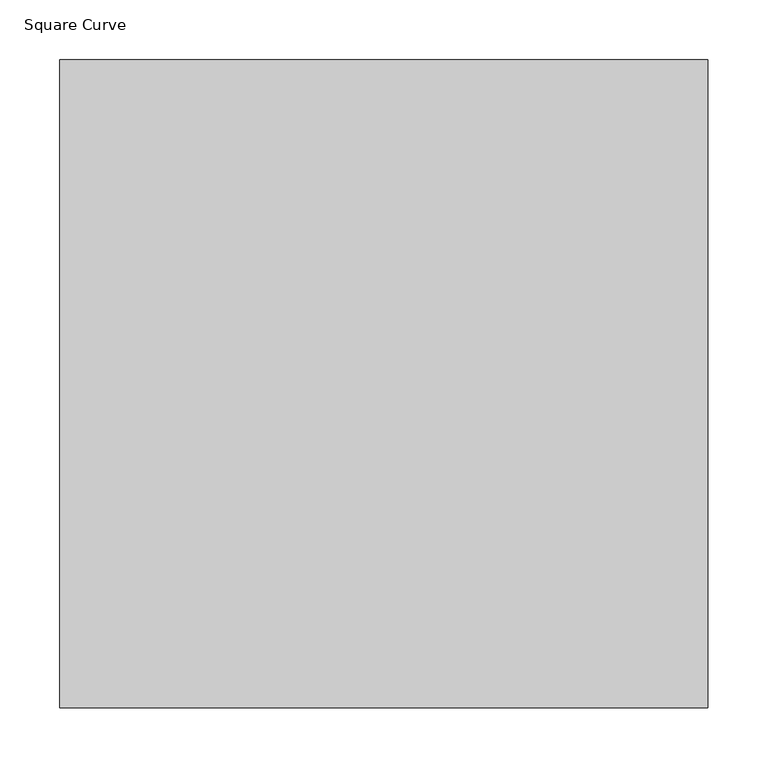
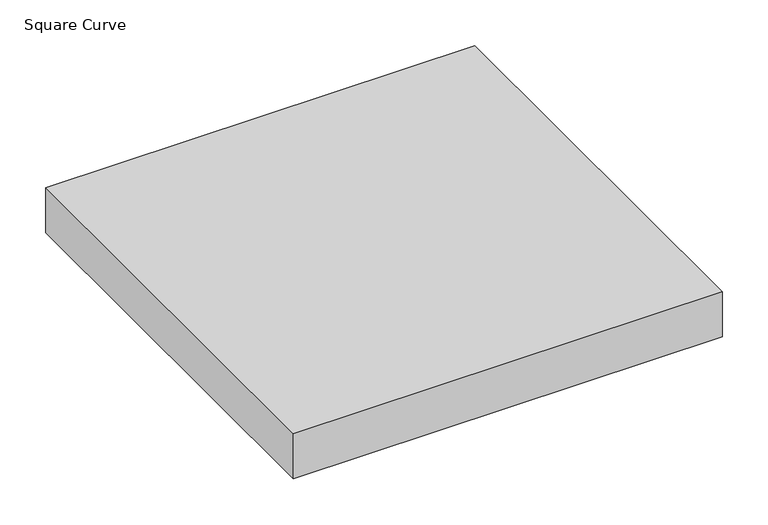
"""IFC4 building model written with IfcOpenShell, lengths in millimetres: furniture geometry, Square Curve."""

import ifcopenshell
import ifcopenshell.guid

model = None  # the IFC model being written
_history = None  # IfcOwnerHistory: only IFC2X3 demands one
_inside = {}  # id of a spatial element -> (the spatial element, [elements in it])
_under = {}  # id of a project, library or spatial element -> (it, [spatial elements below it])
_declared = {}  # id of a project -> (the project, [libraries it declares])
_typed = {}  # id of a type object -> (the type object, [elements of that type])
_made_of = {}  # id of a material, layer set ... -> (it, [elements and type objects made of it])


def new_model(schema):
    """Start an empty IFC model of exactly this schema.

    Asked for "IFC4X3", IfcOpenShell would pick the latest addendum, in which some entities
    have other attributes; the version numbers below select the first issue.
    IFC2X3 requires an IfcOwnerHistory on every rooted entity: one is made here for all.
    """
    global model, _history
    if schema == "IFC4X3":
        model = ifcopenshell.file(schema_version=(4, 3, 0, 0))
    else:
        model = ifcopenshell.file(schema=schema)
    _inside.clear()
    _under.clear()
    _declared.clear()
    _typed.clear()
    _made_of.clear()
    _history = None
    if model.schema == "IFC2X3":
        org = make("IfcOrganization", Name="unknown")
        user = make(
            "IfcPersonAndOrganization",
            ThePerson=make("IfcPerson", FamilyName="unknown"),
            TheOrganization=org,
        )
        app = make(
            "IfcApplication",
            ApplicationDeveloper=org,
            Version="unknown",
            ApplicationFullName="unknown",
            ApplicationIdentifier="unknown",
        )
        _history = make(
            "IfcOwnerHistory",
            OwningUser=user,
            OwningApplication=app,
            ChangeAction="ADDED",
            CreationDate=0,
        )
    return model


def make(cls, **values):
    """One entity of the class cls with the attributes given. An attribute that is None is left unset."""
    return model.create_entity(
        cls, **{name: value for name, value in values.items() if value is not None}
    )


def rooted(cls, **values):
    """An entity with a GlobalId (a new one), such as an element, a storey or a relation."""
    return make(cls, GlobalId=ifcopenshell.guid.new(), OwnerHistory=_history, **values)


def si_unit(unit_type, name, prefix=None):
    """IfcSIUnit, for example si_unit("LENGTHUNIT", "METRE", prefix="MILLI")."""
    return make("IfcSIUnit", UnitType=unit_type, Prefix=prefix, Name=name)


def assignment(units):
    """IfcUnitAssignment: the units of a project."""
    return None if units is None else make("IfcUnitAssignment", Units=units)


def point(xyz):
    """IfcCartesianPoint."""
    return None if xyz is None else make("IfcCartesianPoint", Coordinates=xyz)


def direction(xyz):
    """IfcDirection."""
    return None if xyz is None else make("IfcDirection", DirectionRatios=xyz)


def frame(location, z_axis=None, x_axis=None):
    """IfcAxis2Placement3D, a coordinate frame: its origin and axes. An axis left out is left unset."""
    return make(
        "IfcAxis2Placement3D",
        Location=point(location),
        Axis=direction(z_axis),
        RefDirection=direction(x_axis),
    )


def origin():
    """The frame at (0, 0, 0) with its axes left unset."""
    return frame((0.0, 0.0, 0.0))


def place(relative_to, where):
    """IfcLocalPlacement: puts the frame where relative to a parent placement (None: the world)."""
    return make(
        "IfcLocalPlacement", PlacementRelTo=relative_to, RelativePlacement=where
    )


def context(
    kind, dimensions, precision=None, world=None, true_north=None, identifier=None
):
    """IfcGeometricRepresentationContext, for example the 3D "Model" context."""
    return make(
        "IfcGeometricRepresentationContext",
        ContextIdentifier=identifier,
        ContextType=kind,
        CoordinateSpaceDimension=dimensions,
        Precision=precision,
        WorldCoordinateSystem=world,
        TrueNorth=true_north,
    )


def project(units=None, contexts=None):
    """IfcProject with its units and contexts."""
    return rooted(
        "IfcProject",
        Name="project",
        RepresentationContexts=contexts,
        UnitsInContext=assignment(units),
    )


def spatial(cls, under=None, at=None, **own):
    """A site, building, storey or space (cls), placed at a placement, below another one or the project."""
    s = rooted(cls, ObjectPlacement=at, **own)
    if under is not None:
        _under.setdefault(under.id(), (under, []))[1].append(s)
    return s


def polyline(points):
    """IfcPolyline through the points."""
    return make("IfcPolyline", Points=[point(p) for p in points])


def circle_curve(where, radius):
    """IfcCircle in the frame where."""
    return make("IfcCircle", Position=where, Radius=radius)


def ellipse_curve(where, semi_axis1, semi_axis2):
    """IfcEllipse in the frame where."""
    return make(
        "IfcEllipse", Position=where, SemiAxis1=semi_axis1, SemiAxis2=semi_axis2
    )


def trimmed(basis, trim1, trim2, sense, master):
    """IfcTrimmedCurve: the piece of a basis curve between two trims."""
    return make(
        "IfcTrimmedCurve",
        BasisCurve=basis,
        Trim1=trim1,
        Trim2=trim2,
        SenseAgreement=sense,
        MasterRepresentation=master,
    )


def shape(context_of_items, identifier, shape_type, items):
    """IfcShapeRepresentation: the items that make up one representation, for example the "Body"."""
    return make(
        "IfcShapeRepresentation",
        ContextOfItems=context_of_items,
        RepresentationIdentifier=identifier,
        RepresentationType=shape_type,
        Items=items,
    )


def source(mapping_origin, context_of_items, identifier, shape_type, items):
    """IfcRepresentationMap: a shape defined once, which mapped items show again and again."""
    return make(
        "IfcRepresentationMap",
        MappingOrigin=mapping_origin,
        MappedRepresentation=shape(context_of_items, identifier, shape_type, items),
    )


def transform(
    local_origin,
    x_axis=None,
    y_axis=None,
    z_axis=None,
    scale=None,
    scale2=None,
    scale3=None,
    uniform=True,
):
    """IfcCartesianTransformationOperator3D, or its non-uniform kind. x_axis, y_axis, z_axis: its Axis1, 2, 3."""
    if uniform:
        return make(
            "IfcCartesianTransformationOperator3D",
            Axis1=direction(x_axis),
            Axis2=direction(y_axis),
            LocalOrigin=point(local_origin),
            Scale=scale,
            Axis3=direction(z_axis),
        )
    return make(
        "IfcCartesianTransformationOperator3DnonUniform",
        Axis1=direction(x_axis),
        Axis2=direction(y_axis),
        LocalOrigin=point(local_origin),
        Scale=scale,
        Axis3=direction(z_axis),
        Scale2=scale2,
        Scale3=scale3,
    )


def mapped(mapping_source, mapping_target):
    """IfcMappedItem: shows the shape of a source again, moved by a transform."""
    return make(
        "IfcMappedItem", MappingSource=mapping_source, MappingTarget=mapping_target
    )


def made_of(thing, what):
    """Note that an element or type object is made of a material, layer set ...; save() writes the relation."""
    if what is not None:
        _made_of.setdefault(what.id(), (what, []))[1].append(thing)
    return thing


def element(
    cls,
    number,
    at=None,
    inside=None,
    cuts=None,
    type_object=None,
    material=None,
    context=None,
    identifier="Body",
    shape_type=None,
    held_by="IfcProductDefinitionShape",
    body=None,
    shapes=None,
    **own,
):
    """One element of the class cls, such as IfcWall. Its Tag is "e" and its number.

    at: its placement. inside: the storey or other place that contains it. cuts: it is an
    opening in that element (IfcRelVoidsElement). A single representation is given by context,
    identifier, shape_type and body (its items); several are given by shapes. held_by: the class
    of the entity that holds the representations. save() writes the other relations.
    """
    e = rooted(cls, Tag="e%d" % number, ObjectPlacement=at, **own)
    if body is not None:
        shapes = [shape(context, identifier, shape_type, body)]
    if shapes is not None:
        e.Representation = make(held_by, Representations=shapes)
    if inside is not None:
        _inside.setdefault(inside.id(), (inside, []))[1].append(e)
    if cuts is not None:
        rooted(
            "IfcRelVoidsElement", RelatingBuildingElement=cuts, RelatedOpeningElement=e
        )
    if type_object is not None:
        _typed.setdefault(type_object.id(), (type_object, []))[1].append(e)
    return made_of(e, material)


def aggregate(whole, parts):
    """IfcRelAggregates: a whole, such as a stair, and the parts it consists of."""
    return rooted("IfcRelAggregates", RelatingObject=whole, RelatedObjects=parts)


def save(model, path):
    """Write the relations noted so far, then the file.

    IfcRelAggregates (storeys below a building ...), IfcRelContainedInSpatialStructure (elements
    in a storey), IfcRelDefinesByType, IfcRelAssociatesMaterial and IfcRelDeclares: one each for
    every whole, place, type object, material and project.
    """
    for whole, parts in _under.values():
        aggregate(whole, parts)
    for where, things in _inside.values():
        rooted(
            "IfcRelContainedInSpatialStructure",
            RelatedElements=things,
            RelatingStructure=where,
        )
    for kind, things in _typed.values():
        rooted("IfcRelDefinesByType", RelatedObjects=things, RelatingType=kind)
    for what, things in _made_of.values():
        rooted("IfcRelAssociatesMaterial", RelatedObjects=things, RelatingMaterial=what)
    for by, libraries in _declared.values():
        rooted("IfcRelDeclares", RelatingContext=by, RelatedDefinitions=libraries)
    model.write(path)


def plane_surface(at):
    """IfcPlane: the flat surface through the origin of the frame at, square to its z axis."""
    return make("IfcPlane", Position=at)


def cylinder_surface(at, radius):
    """IfcCylindricalSurface: all points at the distance radius from the z axis of the frame at."""
    return make("IfcCylindricalSurface", Position=at, Radius=radius)


def revolved_surface(curve, axis_point, axis_direction):
    """IfcSurfaceOfRevolution: the curve turned about the line through axis_point along axis_direction."""
    return make(
        "IfcSurfaceOfRevolution",
        SweptCurve=make("IfcArbitraryOpenProfileDef", ProfileType="CURVE", Curve=curve),
        AxisPosition=make("IfcAxis1Placement", Location=point(axis_point), Axis=direction(axis_direction)),
    )


def advanced_brep(points, edges, surfaces, faces):
    """IfcAdvancedBrep: a solid bounded by faces that lie on surfaces and meet in shared edges.

    An edge is (start, end): straight between two places in points (the first is 0);
    or (start, end, curve); or (start, end, curve, False) where it runs against its curve.
    A face is (place in surfaces, loops), or (place, loops, False) where it looks against
    its surface's normal. A loop lists edges by number (the first is 1), with a minus sign
    where the edge is run from its end to its start. The first loop is the outer one.
    """
    corners = [point(p) for p in points]
    vertices = [make("IfcVertexPoint", VertexGeometry=c) for c in corners]
    made = []
    for start, end, *more in edges:
        made.append(
            make(
                "IfcEdgeCurve",
                EdgeStart=vertices[start],
                EdgeEnd=vertices[end],
                EdgeGeometry=more[0] if more else make("IfcPolyline", Points=[corners[start], corners[end]]),
                SameSense=more[1] if len(more) > 1 else True,
            )
        )
    hull = []
    for where, loops, *sense in faces:
        bounds = []
        for j, loop in enumerate(loops):
            ring = [make("IfcOrientedEdge", EdgeElement=made[abs(k) - 1], Orientation=k > 0) for k in loop]
            bounds.append(
                make(
                    "IfcFaceOuterBound" if j == 0 else "IfcFaceBound",
                    Bound=make("IfcEdgeLoop", EdgeList=ring),
                    Orientation=True,
                )
            )
        hull.append(make("IfcAdvancedFace", Bounds=bounds, FaceSurface=surfaces[where], SameSense=sense[0] if sense else True))
    return make("IfcAdvancedBrep", Outer=make("IfcClosedShell", CfsFaces=hull))


def square_curve_d748f5cb(model_context):
    return source(origin(), model_context, "Body", "AdvancedBrep", [
        advanced_brep(
        [(270.0, -270.0, 2160.0), (-270.0, -270.0, 2160.0), (-270.0, -270.0, 2100.0), (270.0, -270.0, 2100.0), (270.0, 270.0, 2160.0), (270.0, 270.0, 2100.0), (145.0, 270.0, 2100.0), (131.0875949, 270.0, 2100.0), (106.1283636, 270.0, 2102.09112), (0.0, 270.0, 2120.0), (-118.5203808, 270.0, 2100.0), (-270.0, 270.0, 2100.0), (-270.0, 270.0, 2160.0), (-118.5203808, 225.0, 2100.0), (225.0, -118.5203808, 2100.0), (270.0, -118.5203808, 2100.0), (270.0, 145.0, 2100.0), (270.0, 131.0875949, 2100.0), (225.0, 131.0875949, 2100.0), (131.0875949, 225.0, 2100.0), (270.0, 0.0, 2120.0), (270.0, 106.1283636, 2102.09112), (106.1283636, 225.0, 2102.09112), (0.0, 225.0, 2120.0), (225.0, 106.1283636, 2102.09112), (225.0, 0.0, 2120.0)],
        [
            (0, 1),
            (1, 2),
            (2, 3),
            (3, 0),
            (4, 5),
            (5, 6),
            (6, 7),
            (7, 8, circle_curve(frame((131.0875949, 270.0, 2250.0), z_axis=(0.0, 1.0, 0.0), x_axis=(1.0, 0.0, 0.0)), 150.0)),
            (8, 9),
            (9, 10),
            (10, 11),
            (11, 12),
            (12, 4),
            (0, 4),
            (12, 1),
            (11, 2),
            (10, 13),
            (13, 14, circle_curve(frame((225.0, 225.0, 2100.0), z_axis=(0.0, 0.0, 1.0), x_axis=(-1.0, 0.0, 0.0)), 343.5203808)),
            (14, 15),
            (15, 3),
            (5, 16),
            (16, 17),
            (17, 18),
            (18, 19, circle_curve(frame((225.0, 225.0, 2100.0), z_axis=(0.0, 0.0, -1.0), x_axis=(-1.0, 0.0, 0.0)), 93.9124051)),
            (19, 7),
            (15, 20),
            (20, 21),
            (21, 17, circle_curve(frame((270.0, 131.0875949, 2250.0), z_axis=(1.0, 0.0, 0.0), x_axis=(0.0, 1.0, 0.0)), 150.0)),
            (8, 22),
            (22, 23),
            (23, 9),
            (19, 22, circle_curve(frame((131.0875949, 225.0, 2250.0), z_axis=(0.0, 1.0, 0.0), x_axis=(1.0, 0.0, 0.0)), 150.0)),
            (23, 13),
            (22, 24, circle_curve(frame((225.0, 225.0, 2102.09112), z_axis=(0.0, 0.0, 1.0), x_axis=(-1.0, 0.0, 0.0)), 118.8716364)),
            (24, 25),
            (25, 23, circle_curve(frame((225.0, 225.0, 2120.0), z_axis=(0.0, 0.0, -1.0), x_axis=(-1.0, 0.0, 0.0)), 225.0)),
            (18, 24, circle_curve(frame((225.0, 131.0875949, 2250.0), z_axis=(-1.0, 0.0, 0.0), x_axis=(0.0, 1.0, 0.0)), 150.0)),
            (25, 14),
            (24, 21),
            (20, 25),
        ],
        [
            plane_surface(frame((-270.0, -270.0, 2160.0), z_axis=(0.0, -1.0, 0.0), x_axis=(-1.0, 0.0, 0.0))),
            plane_surface(frame((-270.0, 270.0, 2160.0), z_axis=(0.0, 1.0, 0.0), x_axis=(1.0, 0.0, 0.0))),
            plane_surface(frame((270.0, -270.0, 2160.0), z_axis=(0.0, 0.0, 1.0), x_axis=(0.0, 1.0, 0.0))),
            plane_surface(frame((-270.0, -270.0, 2160.0), z_axis=(-1.0, 0.0, 0.0), x_axis=(0.0, 1.0, 0.0))),
            plane_surface(frame((-270.0, -270.0, 2100.0), z_axis=(0.0, 0.0, -1.0), x_axis=(0.0, 1.0, 0.0))),
            plane_surface(frame((270.0, -270.0, 2100.0), z_axis=(1.0, 0.0, 0.0), x_axis=(0.0, 1.0, 0.0))),
            plane_surface(frame((0.0, 270.0, 2120.0), z_axis=(-0.16639487545031093, 0.0, -0.9860591997562193), x_axis=(0.0, -1.0, 0.0))),
            cylinder_surface(frame((131.0875949, 270.0, 2250.0), z_axis=(0.0, -1.0, 0.0), x_axis=(1.0, 0.0, 0.0)), 150.0),
            plane_surface(frame((-120.0, 270.0, 2099.7503182), z_axis=(0.16639487545033715, 0.0, -0.9860591997562149), x_axis=(0.0, -1.0, 0.0))),
            revolved_surface(polyline([(106.1283636, 225.0, 2102.09112), (0.0, 225.0, 2120.0)]), (225.0, 225.0, 0.0), (0.0, 0.0, 1.0)),
            revolved_surface(trimmed(ellipse_curve(frame((131.0875949, 225.0, 2250.0), z_axis=(0.0, 1.0, 0.0), x_axis=(1.0, 0.0, 0.0)), 150.0, 150.0), [point((131.0875949, 225.0, 2100.0))], [point((106.1283636, 225.0, 2102.09112))], True, "CARTESIAN"), (225.0, 225.0, 0.0), (0.0, 0.0, 1.0)),
            revolved_surface(polyline([(0.0, 225.0, 2120.0), (-120.0, 225.0, 2099.7503182)]), (225.0, 225.0, 0.0), (0.0, 0.0, 1.0)),
            plane_surface(frame((225.0, 0.0, 2120.0), z_axis=(0.0, -0.16639487545031093, -0.9860591997562193), x_axis=(1.0, 0.0, 0.0))),
            cylinder_surface(frame((225.0, 131.0875949, 2250.0), z_axis=(1.0, 0.0, 0.0), x_axis=(0.0, 1.0, 0.0)), 150.0),
            plane_surface(frame((225.0, -120.0, 2099.7503182), z_axis=(0.0, 0.16639487545033715, -0.9860591997562149), x_axis=(1.0, 0.0, 0.0))),
        ],
        [
            (0, [[1, 2, 3, 4]]),
            (1, [[5, 6, 7, 8, 9, 10, 11, 12, 13]]),
            (2, [[-1, 14, -13, 15]]),
            (3, [[-2, -15, -12, 16]]),
            (4, [[-3, -16, -11, 17, 18, 19, 20]]),
            (4, [[-6, 21, 22, 23, 24, 25, -7]]),
            (5, [[-4, -20, 26, 27, 28, -22, -21, -5, -14]]),
            (6, [[29, 30, 31, -9]]),
            (7, [[-29, -8, -25, 32]]),
            (8, [[-31, 33, -17, -10]]),
            (9, [[-30, 34, 35, 36]]),
            (10, [[-32, -24, 37, -34]]),
            (11, [[-36, 38, -18, -33]]),
            (12, [[-35, 39, -27, 40]]),
            (13, [[-37, -23, -28, -39]]),
            (14, [[-40, -26, -19, -38]]),
        ],
    ),
    ])


if __name__ == "__main__":
    model = new_model("IFC4")
    model_context = context("Model", 3, world=origin())
    ifc_project = project(units=[si_unit("LENGTHUNIT", "METRE", prefix="MILLI")], contexts=[model_context])
    site = spatial("IfcSite", under=ifc_project)
    building = spatial("IfcBuilding", under=site)
    placement = place(None, origin())
    square_curve_shape = square_curve_d748f5cb(model_context)
    element("IfcFurniture", 1, ObjectType="Square Curve", at=placement, inside=building, context=model_context, shape_type="MappedRepresentation", body=[
        mapped(square_curve_shape, transform((0.0, 0.0, 0.0), x_axis=(1.0, 0.0, 0.0), y_axis=(0.0, 1.0, 0.0), z_axis=(0.0, 0.0, 1.0))),
    ])
    save(model, "model.ifc")
